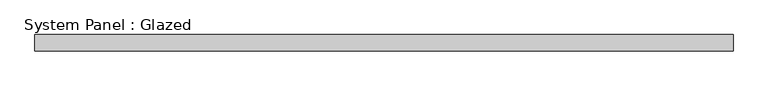
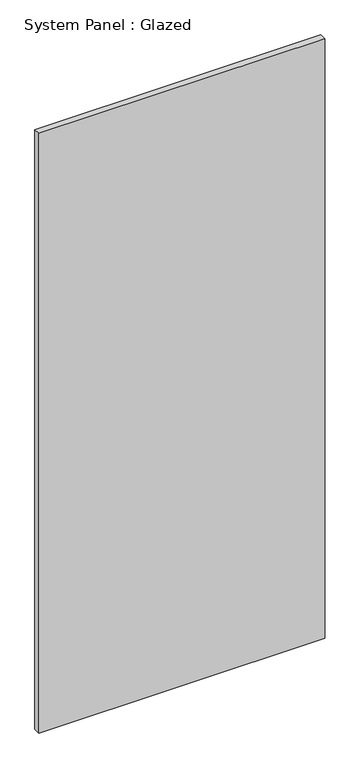
"""IFC4 building model written with IfcOpenShell, lengths in millimetres: plate geometry, System Panel : Glazed."""

from ifc_helpers import new_model, si_unit, origin, origin_with_axes, place, context, project, spatial, polyline, outline, extrude, source, transform, mapped, element, save


def system_panel_glazed_7dbf47f5(model_context):
    return source(origin(), model_context, "Body", "SweptSolid", [
        extrude(outline(polyline([(550.0, 19.05), (-550.0, 19.05), (-550.0, 44.45), (550.0, 44.45), (550.0, 19.05)])), origin_with_axes(), (0.0, 0.0, 1.0), 2438.4),
    ])


if __name__ == "__main__":
    model = new_model("IFC4")
    model_context = context("Model", 3, world=origin())
    ifc_project = project(units=[si_unit("LENGTHUNIT", "METRE", prefix="MILLI")], contexts=[model_context])
    site = spatial("IfcSite", under=ifc_project)
    building = spatial("IfcBuilding", under=site)
    placement = place(None, origin())
    system_panel_glazed_shape = system_panel_glazed_7dbf47f5(model_context)
    element("IfcPlate", 1, ObjectType="System Panel : Glazed", at=placement, inside=building, context=model_context, shape_type="MappedRepresentation", body=[
        mapped(system_panel_glazed_shape, transform((0.0, 0.0, 0.0), x_axis=(1.0, 0.0, 0.0), y_axis=(0.0, 1.0, 0.0), z_axis=(0.0, 0.0, 1.0))),
    ])
    save(model, "model.ifc")
